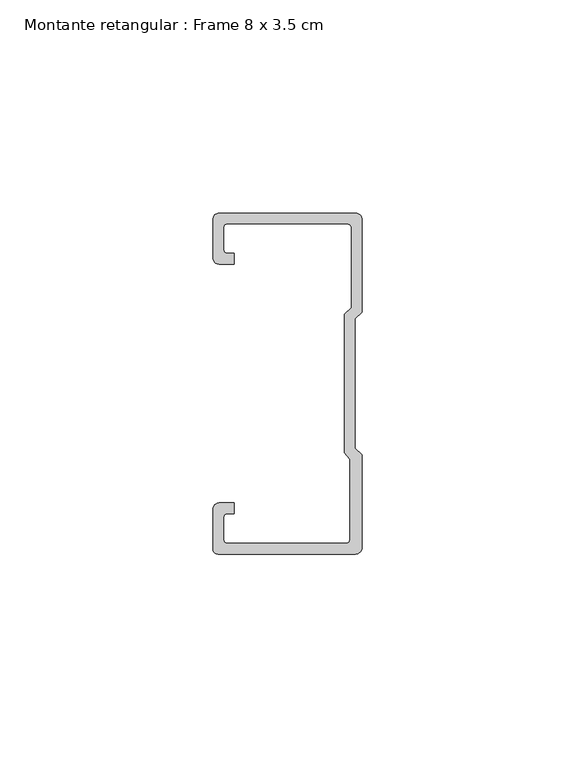
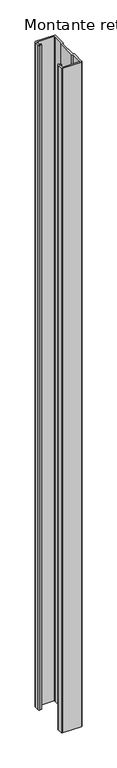
"""IFC4 building model written with IfcOpenShell, lengths in millimetres: member geometry, Montante retangular : Frame 8 x 3.5 cm."""

from ifc_helpers import new_model, si_unit, point, frame, frame_2d, origin, place, context, project, spatial, polyline, circle_curve, trimmed, segment, composite_curve, outline, extrude, source, transform, mapped, element, save


def montante_retangular_frame_8_x_3_5_cm_c70a4240(model_context):
    return source(origin(), model_context, "Body", "SweptSolid", [
        extrude(outline(composite_curve([segment(polyline([(-35.0, 29.5276505), (-35.0, 38.5)]), True, "CONTINUOUS"), segment(trimmed(circle_curve(frame_2d((-33.5, 38.5)), 1.5), [point((-35.0, 38.5))], [point((-33.5, 40.0))], False, "CARTESIAN"), True, "CONTINUOUS"), segment(polyline([(-33.5, 40.0), (-1.5, 40.0)]), True, "CONTINUOUS"), segment(trimmed(circle_curve(frame_2d((-1.5, 38.5)), 1.5), [point((-1.5, 40.0))], [point((0.0, 38.5))], False, "CARTESIAN"), True, "CONTINUOUS"), segment(polyline([(0.0, 38.5), (0.0, 16.7622662), (-1.5877131, 15.174553), (-1.5877131, -15.174553), (0.0, -16.7622662), (0.0, -38.5)]), True, "CONTINUOUS"), segment(trimmed(circle_curve(frame_2d((-1.5, -38.5)), 1.5), [point((0.0, -38.5))], [point((-1.5, -40.0))], False, "CARTESIAN"), True, "CONTINUOUS"), segment(polyline([(-1.5, -40.0), (-33.8171833, -40.0)]), True, "CONTINUOUS"), segment(trimmed(circle_curve(frame_2d((-33.8171833, -38.8171833)), 1.1828167), [point((-33.8171833, -40.0))], [point((-35.0, -38.8171833))], False, "CARTESIAN"), True, "CONTINUOUS"), segment(polyline([(-35.0, -38.8171833), (-35.0, -29.5276505)]), True, "CONTINUOUS"), segment(trimmed(circle_curve(frame_2d((-33.5, -29.5276505)), 1.5), [point((-35.0, -29.5276505))], [point((-33.5, -28.0276505))], False, "CARTESIAN"), True, "CONTINUOUS"), segment(polyline([(-33.5, -28.0276505), (-30.0162256, -28.0276505), (-30.0162256, -30.5276505), (-31.5, -30.5276505)]), True, "CONTINUOUS"), segment(trimmed(circle_curve(frame_2d((-31.5, -31.5276505)), 1.0), [point((-31.5, -30.5276505))], [point((-32.5, -31.5276505))], True, "CARTESIAN"), True, "CONTINUOUS"), segment(polyline([(-32.5, -31.5276505), (-32.5, -36.5)]), True, "CONTINUOUS"), segment(trimmed(circle_curve(frame_2d((-31.5, -36.5)), 1.0), [point((-32.5, -36.5))], [point((-31.5, -37.5))], True, "CARTESIAN"), True, "CONTINUOUS"), segment(polyline([(-31.5, -37.5), (-3.807214, -37.5)]), True, "CONTINUOUS"), segment(trimmed(circle_curve(frame_2d((-3.807214, -36.5)), 1.0), [point((-3.807214, -37.5))], [point((-2.807214, -36.5))], True, "CARTESIAN"), True, "CONTINUOUS"), segment(polyline([(-2.807214, -36.5), (-2.807214, -17.7671948), (-4.0877131, -16.1794816), (-4.0877131, 16.2100869), (-2.5, 17.7978001), (-2.5, 36.5)]), True, "CONTINUOUS"), segment(trimmed(circle_curve(frame_2d((-3.5, 36.5)), 1.0), [point((-2.5, 36.5))], [point((-3.5, 37.5))], True, "CARTESIAN"), True, "CONTINUOUS"), segment(polyline([(-3.5, 37.5), (-31.5, 37.5)]), True, "CONTINUOUS"), segment(trimmed(circle_curve(frame_2d((-31.5, 36.5)), 1.0), [point((-31.5, 37.5))], [point((-32.5, 36.5))], True, "CARTESIAN"), True, "CONTINUOUS"), segment(polyline([(-32.5, 36.5), (-32.5, 31.5276505)]), True, "CONTINUOUS"), segment(trimmed(circle_curve(frame_2d((-31.5, 31.5276505)), 1.0), [point((-32.5, 31.5276505))], [point((-31.5, 30.5276505))], True, "CARTESIAN"), True, "CONTINUOUS"), segment(polyline([(-31.5, 30.5276505), (-30.0162256, 30.5276505), (-30.0162256, 28.0276505), (-33.5, 28.0276505)]), True, "CONTINUOUS"), segment(trimmed(circle_curve(frame_2d((-33.5, 29.5276505)), 1.5), [point((-33.5, 28.0276505))], [point((-35.0, 29.5276505))], False, "CARTESIAN"), True, "CONTINUOUS")], self_intersect=False)), frame((0.0, 0.0, -1200.0), z_axis=(0.0, 0.0, 1.0), x_axis=(1.0, 0.0, 0.0)), (0.0, 0.0, 1.0), 1200.0),
    ])


if __name__ == "__main__":
    model = new_model("IFC4")
    model_context = context("Model", 3, world=origin())
    ifc_project = project(units=[si_unit("LENGTHUNIT", "METRE", prefix="MILLI")], contexts=[model_context])
    site = spatial("IfcSite", under=ifc_project)
    building = spatial("IfcBuilding", under=site)
    placement = place(None, origin())
    montante_retangular_frame_8_x_3_5_cm_shape = montante_retangular_frame_8_x_3_5_cm_c70a4240(model_context)
    element("IfcMember", 1, ObjectType="Montante retangular : Frame 8 x 3.5 cm", at=placement, inside=building, context=model_context, shape_type="MappedRepresentation", body=[
        mapped(montante_retangular_frame_8_x_3_5_cm_shape, transform((0.0, 0.0, 0.0), x_axis=(1.0, 0.0, 0.0), y_axis=(0.0, 1.0, 0.0), z_axis=(0.0, 0.0, 1.0))),
    ])
    save(model, "model.ifc")
